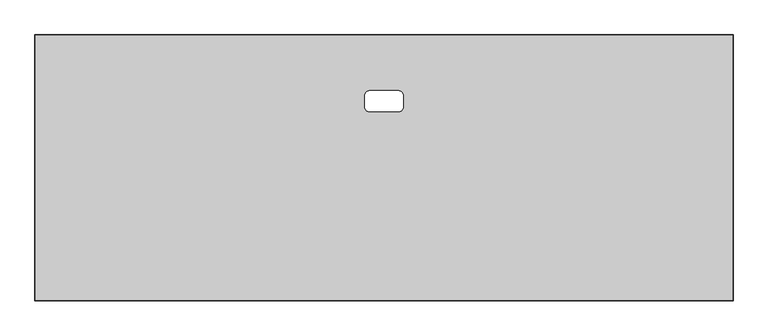
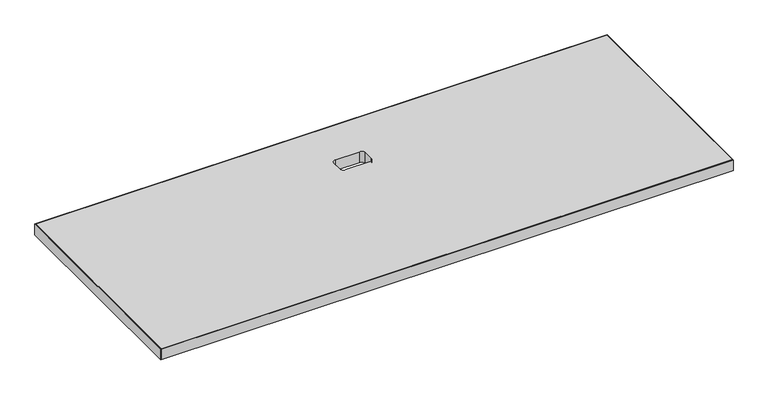
"""IFC4 building model written with IfcOpenShell, lengths in millimetres: furniture geometry."""

from ifc_helpers import new_model, si_unit, point, frame, frame_2d, origin, place, context, project, spatial, polyline, circle_curve, trimmed, segment, composite_curve, outline, extrude, source, transform, mapped, element, save


def furniture_586cf67c(model_context):
    return source(origin(), model_context, "Body", "SweptSolid", [
        extrude(outline(polyline([(1522.984, -1.016), (1522.984, -580.1359908), (1.016, -580.1359908), (1.016, -1.016), (1522.984, -1.016)]), holes=[composite_curve([segment(trimmed(circle_curve(frame_2d((729.7419944, -131.9530013)), 9.525), [point((729.7419944, -122.4280013))], [point((720.2169944, -131.9530013))], True, "CARTESIAN"), True, "CONTINUOUS"), segment(polyline([(720.2169944, -131.9530013), (720.2169944, -158.3690034)]), True, "CONTINUOUS"), segment(trimmed(circle_curve(frame_2d((729.7419944, -158.3690034)), 9.525), [point((720.2169944, -158.3690034))], [point((729.7419944, -167.8940034))], True, "CARTESIAN"), True, "CONTINUOUS"), segment(polyline([(729.7419944, -167.8940034), (794.2580056, -167.8940034)]), True, "CONTINUOUS"), segment(trimmed(circle_curve(frame_2d((794.2580056, -158.3690397)), 9.5249637), [point((794.2580056, -167.8940034))], [point((803.7829692, -158.3690397))], True, "CARTESIAN"), True, "CONTINUOUS"), segment(polyline([(803.7829692, -158.3690397), (803.7829692, -131.9530013)]), True, "CONTINUOUS"), segment(trimmed(circle_curve(frame_2d((794.2579692, -131.9530013)), 9.525), [point((803.7829692, -131.9530013))], [point((794.2579692, -122.4280013))], True, "CARTESIAN"), True, "CONTINUOUS"), segment(polyline([(794.2579692, -122.4280013), (729.7419944, -122.4280013)]), True, "CONTINUOUS")], self_intersect=False)]), frame((0.0, 0.0, 697.2297529), z_axis=(0.0, 0.0, 1.0), x_axis=(1.0, 0.0, 0.0)), (0.0, 0.0, 1.0), 29.972),
        extrude(outline(polyline([(1524.0, -581.1519908), (0.0, -581.1519908), (0.0, 0.0), (1524.0, 0.0), (1524.0, -581.1519908)]), holes=[polyline([(1522.984, -1.016), (1.016, -1.016), (1.016, -580.1359908), (1522.984, -580.1359908), (1522.984, -1.016)])]), frame((0.0, 0.0, 697.2297529), z_axis=(0.0, 0.0, 1.0), x_axis=(1.0, 0.0, 0.0)), (0.0, 0.0, 1.0), 29.972),
    ])


if __name__ == "__main__":
    model = new_model("IFC4")
    model_context = context("Model", 3, world=origin())
    ifc_project = project(units=[si_unit("LENGTHUNIT", "METRE", prefix="MILLI")], contexts=[model_context])
    site = spatial("IfcSite", under=ifc_project)
    building = spatial("IfcBuilding", under=site)
    placement = place(None, origin())
    furniture_shape = furniture_586cf67c(model_context)
    element("IfcFurniture", 1, at=placement, inside=building, context=model_context, shape_type="MappedRepresentation", body=[
        mapped(furniture_shape, transform((0.0, 0.0, 0.0), x_axis=(1.0, 0.0, 0.0), y_axis=(0.0, 1.0, 0.0), z_axis=(0.0, 0.0, 1.0))),
    ])
    save(model, "model.ifc")
